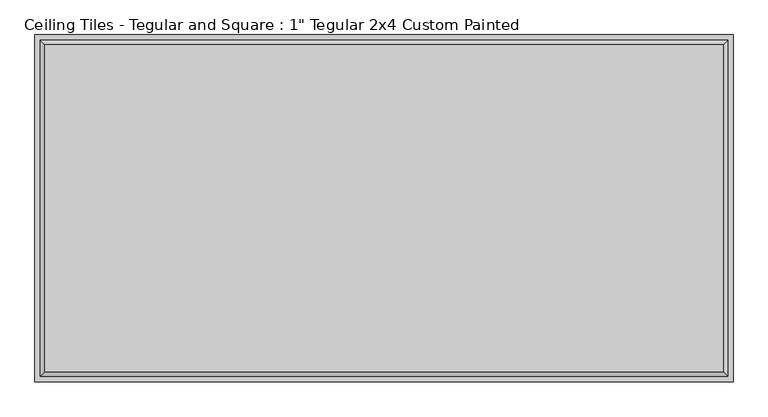
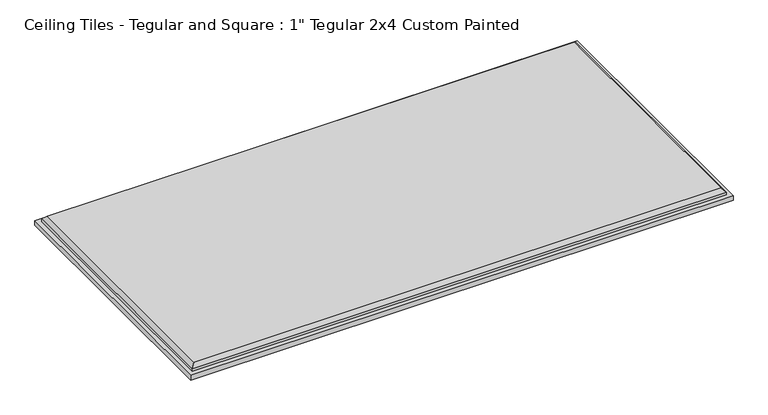
"""IFC4 building model written with IfcOpenShell, lengths in millimetres: proxy geometry."""

import ifcopenshell
import ifcopenshell.guid

model = None  # the IFC model being written
_history = None  # IfcOwnerHistory: only IFC2X3 demands one
_inside = {}  # id of a spatial element -> (the spatial element, [elements in it])
_under = {}  # id of a project, library or spatial element -> (it, [spatial elements below it])
_declared = {}  # id of a project -> (the project, [libraries it declares])
_typed = {}  # id of a type object -> (the type object, [elements of that type])
_made_of = {}  # id of a material, layer set ... -> (it, [elements and type objects made of it])


def new_model(schema):
    """Start an empty IFC model of exactly this schema.

    Asked for "IFC4X3", IfcOpenShell would pick the latest addendum, in which some entities
    have other attributes; the version numbers below select the first issue.
    IFC2X3 requires an IfcOwnerHistory on every rooted entity: one is made here for all.
    """
    global model, _history
    if schema == "IFC4X3":
        model = ifcopenshell.file(schema_version=(4, 3, 0, 0))
    else:
        model = ifcopenshell.file(schema=schema)
    _inside.clear()
    _under.clear()
    _declared.clear()
    _typed.clear()
    _made_of.clear()
    _history = None
    if model.schema == "IFC2X3":
        org = make("IfcOrganization", Name="unknown")
        user = make(
            "IfcPersonAndOrganization",
            ThePerson=make("IfcPerson", FamilyName="unknown"),
            TheOrganization=org,
        )
        app = make(
            "IfcApplication",
            ApplicationDeveloper=org,
            Version="unknown",
            ApplicationFullName="unknown",
            ApplicationIdentifier="unknown",
        )
        _history = make(
            "IfcOwnerHistory",
            OwningUser=user,
            OwningApplication=app,
            ChangeAction="ADDED",
            CreationDate=0,
        )
    return model


def make(cls, **values):
    """One entity of the class cls with the attributes given. An attribute that is None is left unset."""
    return model.create_entity(
        cls, **{name: value for name, value in values.items() if value is not None}
    )


def rooted(cls, **values):
    """An entity with a GlobalId (a new one), such as an element, a storey or a relation."""
    return make(cls, GlobalId=ifcopenshell.guid.new(), OwnerHistory=_history, **values)


def si_unit(unit_type, name, prefix=None):
    """IfcSIUnit, for example si_unit("LENGTHUNIT", "METRE", prefix="MILLI")."""
    return make("IfcSIUnit", UnitType=unit_type, Prefix=prefix, Name=name)


def assignment(units):
    """IfcUnitAssignment: the units of a project."""
    return None if units is None else make("IfcUnitAssignment", Units=units)


def point(xyz):
    """IfcCartesianPoint."""
    return None if xyz is None else make("IfcCartesianPoint", Coordinates=xyz)


def direction(xyz):
    """IfcDirection."""
    return None if xyz is None else make("IfcDirection", DirectionRatios=xyz)


def frame(location, z_axis=None, x_axis=None):
    """IfcAxis2Placement3D, a coordinate frame: its origin and axes. An axis left out is left unset."""
    return make(
        "IfcAxis2Placement3D",
        Location=point(location),
        Axis=direction(z_axis),
        RefDirection=direction(x_axis),
    )


def origin():
    """The frame at (0, 0, 0) with its axes left unset."""
    return frame((0.0, 0.0, 0.0))


def place(relative_to, where):
    """IfcLocalPlacement: puts the frame where relative to a parent placement (None: the world)."""
    return make(
        "IfcLocalPlacement", PlacementRelTo=relative_to, RelativePlacement=where
    )


def context(
    kind, dimensions, precision=None, world=None, true_north=None, identifier=None
):
    """IfcGeometricRepresentationContext, for example the 3D "Model" context."""
    return make(
        "IfcGeometricRepresentationContext",
        ContextIdentifier=identifier,
        ContextType=kind,
        CoordinateSpaceDimension=dimensions,
        Precision=precision,
        WorldCoordinateSystem=world,
        TrueNorth=true_north,
    )


def project(units=None, contexts=None):
    """IfcProject with its units and contexts."""
    return rooted(
        "IfcProject",
        Name="project",
        RepresentationContexts=contexts,
        UnitsInContext=assignment(units),
    )


def spatial(cls, under=None, at=None, **own):
    """A site, building, storey or space (cls), placed at a placement, below another one or the project."""
    s = rooted(cls, ObjectPlacement=at, **own)
    if under is not None:
        _under.setdefault(under.id(), (under, []))[1].append(s)
    return s


def faces_of(points, faces, orient=None, outer=None):
    """IfcFace entities. A face is a list of loops; a loop is a list of indices into points, from 0.

    orient and outer hold one flag for each loop. By default every Orientation is true, the
    first loop of a face is its IfcFaceOuterBound and the others are IfcFaceBound.
    """
    made = []
    for i, loops in enumerate(faces):
        bounds = []
        for j, loop in enumerate(loops):
            is_outer = j == 0 if outer is None else outer[i][j]
            bounds.append(
                make(
                    "IfcFaceOuterBound" if is_outer else "IfcFaceBound",
                    Bound=make("IfcPolyLoop", Polygon=[points[k] for k in loop]),
                    Orientation=True if orient is None else orient[i][j],
                )
            )
        made.append(make("IfcFace", Bounds=bounds))
    return made


def faceted_brep(points, faces, orient=None, outer=None, voids=None):
    """IfcFacetedBrep: a solid bounded by flat faces; with voids (closed shells), ...WithVoids."""
    shared = [point(p) for p in points]
    hull = make("IfcClosedShell", CfsFaces=faces_of(shared, faces, orient, outer))
    if voids is None:
        return make("IfcFacetedBrep", Outer=hull)
    return make(
        "IfcFacetedBrepWithVoids",
        Outer=hull,
        Voids=[
            make(cls, CfsFaces=faces_of(shared, fs, o, b)) for cls, fs, o, b in voids
        ],
    )


def shape(context_of_items, identifier, shape_type, items):
    """IfcShapeRepresentation: the items that make up one representation, for example the "Body"."""
    return make(
        "IfcShapeRepresentation",
        ContextOfItems=context_of_items,
        RepresentationIdentifier=identifier,
        RepresentationType=shape_type,
        Items=items,
    )


def source(mapping_origin, context_of_items, identifier, shape_type, items):
    """IfcRepresentationMap: a shape defined once, which mapped items show again and again."""
    return make(
        "IfcRepresentationMap",
        MappingOrigin=mapping_origin,
        MappedRepresentation=shape(context_of_items, identifier, shape_type, items),
    )


def transform(
    local_origin,
    x_axis=None,
    y_axis=None,
    z_axis=None,
    scale=None,
    scale2=None,
    scale3=None,
    uniform=True,
):
    """IfcCartesianTransformationOperator3D, or its non-uniform kind. x_axis, y_axis, z_axis: its Axis1, 2, 3."""
    if uniform:
        return make(
            "IfcCartesianTransformationOperator3D",
            Axis1=direction(x_axis),
            Axis2=direction(y_axis),
            LocalOrigin=point(local_origin),
            Scale=scale,
            Axis3=direction(z_axis),
        )
    return make(
        "IfcCartesianTransformationOperator3DnonUniform",
        Axis1=direction(x_axis),
        Axis2=direction(y_axis),
        LocalOrigin=point(local_origin),
        Scale=scale,
        Axis3=direction(z_axis),
        Scale2=scale2,
        Scale3=scale3,
    )


def mapped(mapping_source, mapping_target):
    """IfcMappedItem: shows the shape of a source again, moved by a transform."""
    return make(
        "IfcMappedItem", MappingSource=mapping_source, MappingTarget=mapping_target
    )


def made_of(thing, what):
    """Note that an element or type object is made of a material, layer set ...; save() writes the relation."""
    if what is not None:
        _made_of.setdefault(what.id(), (what, []))[1].append(thing)
    return thing


def element(
    cls,
    number,
    at=None,
    inside=None,
    cuts=None,
    type_object=None,
    material=None,
    context=None,
    identifier="Body",
    shape_type=None,
    held_by="IfcProductDefinitionShape",
    body=None,
    shapes=None,
    **own,
):
    """One element of the class cls, such as IfcWall. Its Tag is "e" and its number.

    at: its placement. inside: the storey or other place that contains it. cuts: it is an
    opening in that element (IfcRelVoidsElement). A single representation is given by context,
    identifier, shape_type and body (its items); several are given by shapes. held_by: the class
    of the entity that holds the representations. save() writes the other relations.
    """
    e = rooted(cls, Tag="e%d" % number, ObjectPlacement=at, **own)
    if body is not None:
        shapes = [shape(context, identifier, shape_type, body)]
    if shapes is not None:
        e.Representation = make(held_by, Representations=shapes)
    if inside is not None:
        _inside.setdefault(inside.id(), (inside, []))[1].append(e)
    if cuts is not None:
        rooted(
            "IfcRelVoidsElement", RelatingBuildingElement=cuts, RelatedOpeningElement=e
        )
    if type_object is not None:
        _typed.setdefault(type_object.id(), (type_object, []))[1].append(e)
    return made_of(e, material)


def aggregate(whole, parts):
    """IfcRelAggregates: a whole, such as a stair, and the parts it consists of."""
    return rooted("IfcRelAggregates", RelatingObject=whole, RelatedObjects=parts)


def save(model, path):
    """Write the relations noted so far, then the file.

    IfcRelAggregates (storeys below a building ...), IfcRelContainedInSpatialStructure (elements
    in a storey), IfcRelDefinesByType, IfcRelAssociatesMaterial and IfcRelDeclares: one each for
    every whole, place, type object, material and project.
    """
    for whole, parts in _under.values():
        aggregate(whole, parts)
    for where, things in _inside.values():
        rooted(
            "IfcRelContainedInSpatialStructure",
            RelatedElements=things,
            RelatingStructure=where,
        )
    for kind, things in _typed.values():
        rooted("IfcRelDefinesByType", RelatedObjects=things, RelatingType=kind)
    for what, things in _made_of.values():
        rooted("IfcRelAssociatesMaterial", RelatedObjects=things, RelatingMaterial=what)
    for by, libraries in _declared.values():
        rooted("IfcRelDeclares", RelatingContext=by, RelatedDefinitions=libraries)
    model.write(path)


def proxy_8a433e1a(model_context):
    return source(origin(), model_context, "Body", "Brep", [
        faceted_brep([(588.899, 284.099, 25.4), (-588.899, 284.099, 25.4), (-588.899, -284.099, 25.4), (588.899, -284.099, 25.4), (-606.425, 301.625, 0.0), (606.425, 301.625, 0.0), (606.425, -301.625, 0.0), (-606.425, -301.625, 0.0), (-606.425, -301.625, 11.1125), (-606.425, 301.625, 11.1125), (606.425, -301.625, 11.1125), (606.425, 301.625, 11.1125), (596.9, 292.1, 17.399), (-596.9, 292.1, 17.399), (-596.9, -292.1, 17.399), (596.9, -292.1, 17.399), (596.9, 292.1, 11.1125), (-596.9, 292.1, 11.1125), (-596.9, -292.1, 11.1125), (596.9, -292.1, 11.1125)], [[[0, 1, 2, 3]], [[4, 5, 6, 7]], [[4, 7, 8, 9]], [[7, 6, 10, 8]], [[6, 5, 11, 10]], [[5, 4, 9, 11]], [[12, 13, 1, 0]], [[1, 13, 14, 2]], [[2, 14, 15, 3]], [[12, 0, 3, 15]], [[16, 17, 13, 12]], [[13, 17, 18, 14]], [[14, 18, 19, 15]], [[16, 12, 15, 19]], [[9, 8, 10, 11], [17, 16, 19, 18]]]),
    ])


if __name__ == "__main__":
    model = new_model("IFC4")
    model_context = context("Model", 3, world=origin())
    ifc_project = project(units=[si_unit("LENGTHUNIT", "METRE", prefix="MILLI")], contexts=[model_context])
    site = spatial("IfcSite", under=ifc_project)
    building = spatial("IfcBuilding", under=site)
    placement = place(None, origin())
    proxy_shape = proxy_8a433e1a(model_context)
    element("IfcBuildingElementProxy", 1, Name="Ceiling Tiles - Tegular and Square : 1\" Tegular 2x4 Custom Painted", ObjectType="Ceiling Tiles - Tegular and Square : 1\" Tegular 2x4 Custom Painted", at=placement, inside=building, context=model_context, shape_type="MappedRepresentation", body=[
        mapped(proxy_shape, transform((0.0, 0.0, 0.0), x_axis=(1.0, 0.0, 0.0), y_axis=(0.0, 1.0, 0.0), z_axis=(0.0, 0.0, 1.0))),
    ])
    save(model, "model.ifc")
